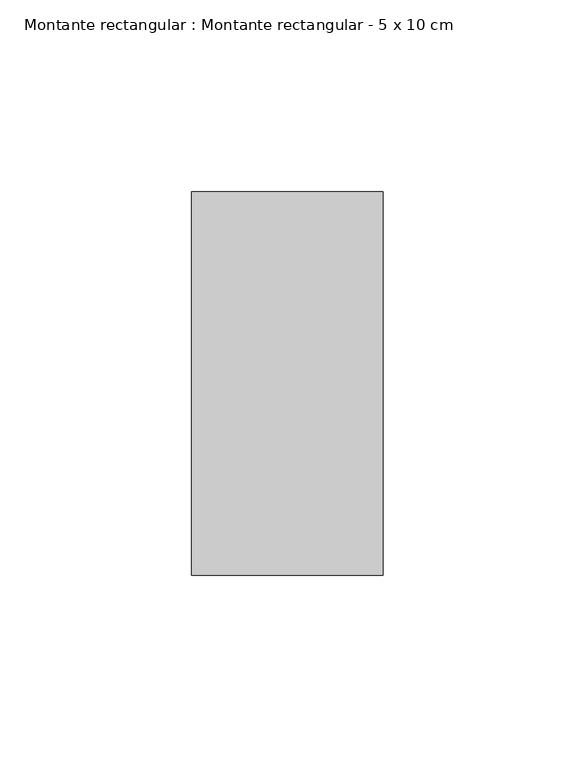
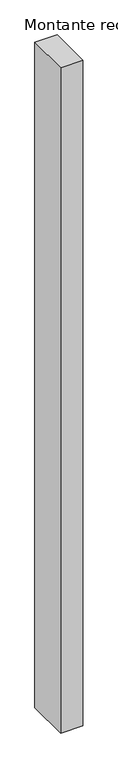
"""IFC4 building model written with IfcOpenShell, lengths in millimetres: member geometry, Montante rectangular : Montante rectangular - 5 x 10 cm."""

import ifcopenshell
import ifcopenshell.guid

model = None  # the IFC model being written
_history = None  # IfcOwnerHistory: only IFC2X3 demands one
_inside = {}  # id of a spatial element -> (the spatial element, [elements in it])
_under = {}  # id of a project, library or spatial element -> (it, [spatial elements below it])
_declared = {}  # id of a project -> (the project, [libraries it declares])
_typed = {}  # id of a type object -> (the type object, [elements of that type])
_made_of = {}  # id of a material, layer set ... -> (it, [elements and type objects made of it])


def new_model(schema):
    """Start an empty IFC model of exactly this schema.

    Asked for "IFC4X3", IfcOpenShell would pick the latest addendum, in which some entities
    have other attributes; the version numbers below select the first issue.
    IFC2X3 requires an IfcOwnerHistory on every rooted entity: one is made here for all.
    """
    global model, _history
    if schema == "IFC4X3":
        model = ifcopenshell.file(schema_version=(4, 3, 0, 0))
    else:
        model = ifcopenshell.file(schema=schema)
    _inside.clear()
    _under.clear()
    _declared.clear()
    _typed.clear()
    _made_of.clear()
    _history = None
    if model.schema == "IFC2X3":
        org = make("IfcOrganization", Name="unknown")
        user = make(
            "IfcPersonAndOrganization",
            ThePerson=make("IfcPerson", FamilyName="unknown"),
            TheOrganization=org,
        )
        app = make(
            "IfcApplication",
            ApplicationDeveloper=org,
            Version="unknown",
            ApplicationFullName="unknown",
            ApplicationIdentifier="unknown",
        )
        _history = make(
            "IfcOwnerHistory",
            OwningUser=user,
            OwningApplication=app,
            ChangeAction="ADDED",
            CreationDate=0,
        )
    return model


def make(cls, **values):
    """One entity of the class cls with the attributes given. An attribute that is None is left unset."""
    return model.create_entity(
        cls, **{name: value for name, value in values.items() if value is not None}
    )


def rooted(cls, **values):
    """An entity with a GlobalId (a new one), such as an element, a storey or a relation."""
    return make(cls, GlobalId=ifcopenshell.guid.new(), OwnerHistory=_history, **values)


def si_unit(unit_type, name, prefix=None):
    """IfcSIUnit, for example si_unit("LENGTHUNIT", "METRE", prefix="MILLI")."""
    return make("IfcSIUnit", UnitType=unit_type, Prefix=prefix, Name=name)


def assignment(units):
    """IfcUnitAssignment: the units of a project."""
    return None if units is None else make("IfcUnitAssignment", Units=units)


def point(xyz):
    """IfcCartesianPoint."""
    return None if xyz is None else make("IfcCartesianPoint", Coordinates=xyz)


def direction(xyz):
    """IfcDirection."""
    return None if xyz is None else make("IfcDirection", DirectionRatios=xyz)


def frame(location, z_axis=None, x_axis=None):
    """IfcAxis2Placement3D, a coordinate frame: its origin and axes. An axis left out is left unset."""
    return make(
        "IfcAxis2Placement3D",
        Location=point(location),
        Axis=direction(z_axis),
        RefDirection=direction(x_axis),
    )


def origin():
    """The frame at (0, 0, 0) with its axes left unset."""
    return frame((0.0, 0.0, 0.0))


def place(relative_to, where):
    """IfcLocalPlacement: puts the frame where relative to a parent placement (None: the world)."""
    return make(
        "IfcLocalPlacement", PlacementRelTo=relative_to, RelativePlacement=where
    )


def context(
    kind, dimensions, precision=None, world=None, true_north=None, identifier=None
):
    """IfcGeometricRepresentationContext, for example the 3D "Model" context."""
    return make(
        "IfcGeometricRepresentationContext",
        ContextIdentifier=identifier,
        ContextType=kind,
        CoordinateSpaceDimension=dimensions,
        Precision=precision,
        WorldCoordinateSystem=world,
        TrueNorth=true_north,
    )


def project(units=None, contexts=None):
    """IfcProject with its units and contexts."""
    return rooted(
        "IfcProject",
        Name="project",
        RepresentationContexts=contexts,
        UnitsInContext=assignment(units),
    )


def spatial(cls, under=None, at=None, **own):
    """A site, building, storey or space (cls), placed at a placement, below another one or the project."""
    s = rooted(cls, ObjectPlacement=at, **own)
    if under is not None:
        _under.setdefault(under.id(), (under, []))[1].append(s)
    return s


def polyline(points):
    """IfcPolyline through the points."""
    return make("IfcPolyline", Points=[point(p) for p in points])


def outline(outer, holes=None, kind="AREA"):
    """IfcArbitraryClosedProfileDef: a profile drawn as a closed curve; with holes, ...WithVoids."""
    if holes is None:
        return make("IfcArbitraryClosedProfileDef", ProfileType=kind, OuterCurve=outer)
    return make(
        "IfcArbitraryProfileDefWithVoids",
        ProfileType=kind,
        OuterCurve=outer,
        InnerCurves=holes,
    )


def extrude(swept, where, along, depth):
    """IfcExtrudedAreaSolid: the profile swept, set in the frame where, extruded along a direction by depth."""
    return make(
        "IfcExtrudedAreaSolid",
        SweptArea=swept,
        Position=where,
        ExtrudedDirection=direction(along),
        Depth=depth,
    )


def shape(context_of_items, identifier, shape_type, items):
    """IfcShapeRepresentation: the items that make up one representation, for example the "Body"."""
    return make(
        "IfcShapeRepresentation",
        ContextOfItems=context_of_items,
        RepresentationIdentifier=identifier,
        RepresentationType=shape_type,
        Items=items,
    )


def source(mapping_origin, context_of_items, identifier, shape_type, items):
    """IfcRepresentationMap: a shape defined once, which mapped items show again and again."""
    return make(
        "IfcRepresentationMap",
        MappingOrigin=mapping_origin,
        MappedRepresentation=shape(context_of_items, identifier, shape_type, items),
    )


def transform(
    local_origin,
    x_axis=None,
    y_axis=None,
    z_axis=None,
    scale=None,
    scale2=None,
    scale3=None,
    uniform=True,
):
    """IfcCartesianTransformationOperator3D, or its non-uniform kind. x_axis, y_axis, z_axis: its Axis1, 2, 3."""
    if uniform:
        return make(
            "IfcCartesianTransformationOperator3D",
            Axis1=direction(x_axis),
            Axis2=direction(y_axis),
            LocalOrigin=point(local_origin),
            Scale=scale,
            Axis3=direction(z_axis),
        )
    return make(
        "IfcCartesianTransformationOperator3DnonUniform",
        Axis1=direction(x_axis),
        Axis2=direction(y_axis),
        LocalOrigin=point(local_origin),
        Scale=scale,
        Axis3=direction(z_axis),
        Scale2=scale2,
        Scale3=scale3,
    )


def mapped(mapping_source, mapping_target):
    """IfcMappedItem: shows the shape of a source again, moved by a transform."""
    return make(
        "IfcMappedItem", MappingSource=mapping_source, MappingTarget=mapping_target
    )


def made_of(thing, what):
    """Note that an element or type object is made of a material, layer set ...; save() writes the relation."""
    if what is not None:
        _made_of.setdefault(what.id(), (what, []))[1].append(thing)
    return thing


def element(
    cls,
    number,
    at=None,
    inside=None,
    cuts=None,
    type_object=None,
    material=None,
    context=None,
    identifier="Body",
    shape_type=None,
    held_by="IfcProductDefinitionShape",
    body=None,
    shapes=None,
    **own,
):
    """One element of the class cls, such as IfcWall. Its Tag is "e" and its number.

    at: its placement. inside: the storey or other place that contains it. cuts: it is an
    opening in that element (IfcRelVoidsElement). A single representation is given by context,
    identifier, shape_type and body (its items); several are given by shapes. held_by: the class
    of the entity that holds the representations. save() writes the other relations.
    """
    e = rooted(cls, Tag="e%d" % number, ObjectPlacement=at, **own)
    if body is not None:
        shapes = [shape(context, identifier, shape_type, body)]
    if shapes is not None:
        e.Representation = make(held_by, Representations=shapes)
    if inside is not None:
        _inside.setdefault(inside.id(), (inside, []))[1].append(e)
    if cuts is not None:
        rooted(
            "IfcRelVoidsElement", RelatingBuildingElement=cuts, RelatedOpeningElement=e
        )
    if type_object is not None:
        _typed.setdefault(type_object.id(), (type_object, []))[1].append(e)
    return made_of(e, material)


def aggregate(whole, parts):
    """IfcRelAggregates: a whole, such as a stair, and the parts it consists of."""
    return rooted("IfcRelAggregates", RelatingObject=whole, RelatedObjects=parts)


def save(model, path):
    """Write the relations noted so far, then the file.

    IfcRelAggregates (storeys below a building ...), IfcRelContainedInSpatialStructure (elements
    in a storey), IfcRelDefinesByType, IfcRelAssociatesMaterial and IfcRelDeclares: one each for
    every whole, place, type object, material and project.
    """
    for whole, parts in _under.values():
        aggregate(whole, parts)
    for where, things in _inside.values():
        rooted(
            "IfcRelContainedInSpatialStructure",
            RelatedElements=things,
            RelatingStructure=where,
        )
    for kind, things in _typed.values():
        rooted("IfcRelDefinesByType", RelatedObjects=things, RelatingType=kind)
    for what, things in _made_of.values():
        rooted("IfcRelAssociatesMaterial", RelatedObjects=things, RelatingMaterial=what)
    for by, libraries in _declared.values():
        rooted("IfcRelDeclares", RelatingContext=by, RelatedDefinitions=libraries)
    model.write(path)


def montante_rectangular_montante_rectangular_5_x_10_cm_e5b60c3c(model_context):
    return source(origin(), model_context, "Body", "SweptSolid", [
        extrude(outline(polyline([(0.0, 50.0), (0.0, -50.0), (-50.0, -50.0), (-50.0, 50.0), (0.0, 50.0)])), frame((0.0, 0.0, -1584.7728258), z_axis=(0.0, 0.0, 1.0), x_axis=(1.0, 0.0, 0.0)), (0.0, 0.0, 1.0), 1584.7728258),
    ])


if __name__ == "__main__":
    model = new_model("IFC4")
    model_context = context("Model", 3, world=origin())
    ifc_project = project(units=[si_unit("LENGTHUNIT", "METRE", prefix="MILLI")], contexts=[model_context])
    site = spatial("IfcSite", under=ifc_project)
    building = spatial("IfcBuilding", under=site)
    placement = place(None, origin())
    montante_rectangular_montante_rectangular_5_x_10_cm_shape = montante_rectangular_montante_rectangular_5_x_10_cm_e5b60c3c(model_context)
    element("IfcMember", 1, ObjectType="Montante rectangular : Montante rectangular - 5 x 10 cm", at=placement, inside=building, context=model_context, shape_type="MappedRepresentation", body=[
        mapped(montante_rectangular_montante_rectangular_5_x_10_cm_shape, transform((0.0, 0.0, 0.0), x_axis=(1.0, 0.0, 0.0), y_axis=(0.0, 1.0, 0.0), z_axis=(0.0, 0.0, 1.0))),
    ])
    save(model, "model.ifc")
